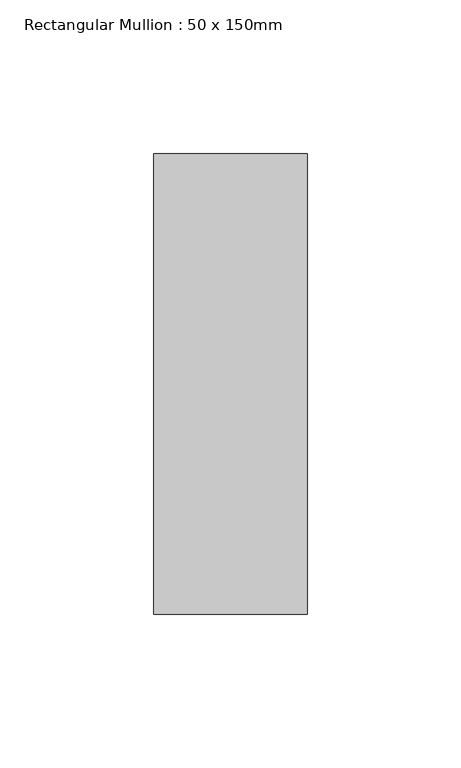
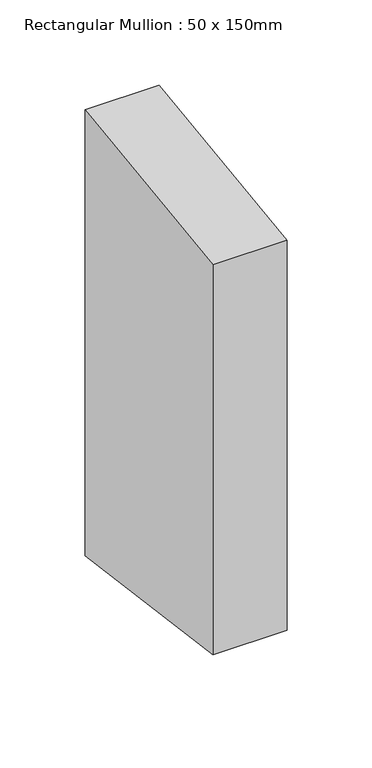
"""IFC4 building model written with IfcOpenShell, lengths in millimetres: member geometry, Rectangular Mullion : 50 x 150mm."""

from ifc_helpers import new_model, si_unit, frame, origin, place, context, project, spatial, polyline, outline, extrude, source, transform, mapped, element, save


def rectangular_mullion_50_x_150mm_f9b91dd8(model_context):
    return source(origin(), model_context, "Body", "SweptSolid", [
        extrude(outline(polyline([(-75.0, -10.0113637), (75.0, 10.0113637), (75.0, -309.1655646), (-75.0, -289.1428371), (-75.0, -10.0113637)])), frame((-50.0, 0.0, 0.0), z_axis=(1.0, 0.0, 0.0), x_axis=(0.0, 1.0, 0.0)), (0.0, 0.0, 1.0), 50.0),
    ])


if __name__ == "__main__":
    model = new_model("IFC4")
    model_context = context("Model", 3, world=origin())
    ifc_project = project(units=[si_unit("LENGTHUNIT", "METRE", prefix="MILLI")], contexts=[model_context])
    site = spatial("IfcSite", under=ifc_project)
    building = spatial("IfcBuilding", under=site)
    placement = place(None, origin())
    rectangular_mullion_50_x_150mm_shape = rectangular_mullion_50_x_150mm_f9b91dd8(model_context)
    element("IfcMember", 1, ObjectType="Rectangular Mullion : 50 x 150mm", at=placement, inside=building, context=model_context, shape_type="MappedRepresentation", body=[
        mapped(rectangular_mullion_50_x_150mm_shape, transform((0.0, 0.0, 0.0), x_axis=(1.0, 0.0, 0.0), y_axis=(0.0, 1.0, 0.0), z_axis=(0.0, 0.0, 1.0))),
    ])
    save(model, "model.ifc")
